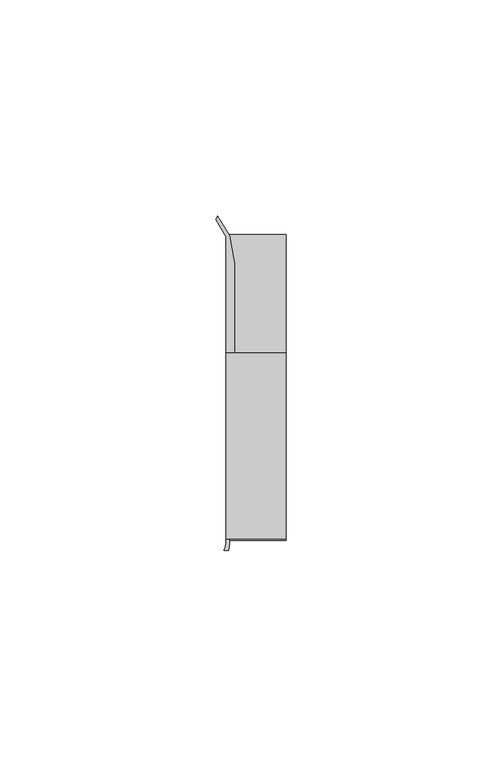
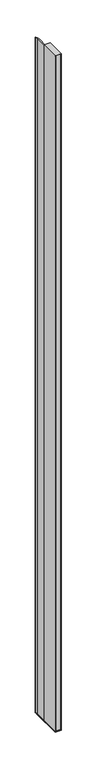
"""IFC4 building model written with IfcOpenShell, lengths in millimetres: furniture geometry."""

from ifc_helpers import new_model, si_unit, point, frame, frame_2d, origin, place, context, project, spatial, polyline, circle_curve, trimmed, segment, composite_curve, outline, extrude, source, transform, mapped, element, save


def furniture_40a82fad(model_context):
    return source(origin(), model_context, "Body", "SweptSolid", [
        extrude(outline(polyline([(31.9660873, 18.9594777), (31.9660873, -24.0995273), (18.0754623, -24.0995273), (18.0754623, 18.9594777), (31.9660873, 18.9594777)])), frame((0.0, 0.0, 487.8043624), z_axis=(0.0, 0.0, 1.0), x_axis=(1.0, 0.0, 0.0)), (0.0, 0.0, 1.0), 1614.0456376),
        extrude(outline(composite_curve([segment(polyline([(16.1635657, 50.6802202), (18.9314847, 46.0995711), (20.0632119, 39.6814262), (20.0632119, 18.9594777), (18.8191063, 18.9594777), (18.8191063, -23.2485144), (31.9660873, -23.2485144), (31.2224462, -24.0995273), (18.7989737, -24.0995273)]), True, "CONTINUOUS"), segment(trimmed(circle_curve(frame_2d((14.8541445, -25.0314921)), 4.0534227), [point((18.7989737, -24.0995273))], [point((18.9075389, -25.0466572))], False, "CARTESIAN"), True, "CONTINUOUS"), segment(trimmed(circle_curve(frame_2d((12.1306413, -24.765085)), 6.7827446), [point((18.9075389, -25.0466572))], [point((18.6374949, -26.6798903))], False, "CARTESIAN"), True, "CONTINUOUS"), segment(polyline([(18.6374949, -26.6798903), (17.6611556, -26.683687)]), True, "CONTINUOUS"), segment(trimmed(circle_curve(frame_2d((12.0703756, -24.4226588)), 6.0306773), [point((17.6611556, -26.683687))], [point((18.0754623, -24.9776388))], True, "CARTESIAN"), True, "CONTINUOUS"), segment(polyline([(18.0754623, -24.9776388), (18.0754623, 45.8886719), (15.7452137, 49.8958113), (16.1635657, 50.6802202)]), True, "CONTINUOUS")], self_intersect=False)), frame((0.0, 0.0, 487.8043624), z_axis=(0.0, 0.0, 1.0), x_axis=(1.0, 0.0, 0.0)), (0.0, 0.0, 1.0), 1614.0456376),
        extrude(outline(polyline([(18.0754623, -24.0995273), (18.0754623, 46.6824219), (31.9660873, 46.6824219), (31.9660873, -24.0995273), (18.0754623, -24.0995273)])), frame((0.0, 0.0, 485.27208), z_axis=(0.0, 0.0, 1.0), x_axis=(1.0, 0.0, 0.0)), (0.0, 0.0, 1.0), 2.5322824),
    ])


if __name__ == "__main__":
    model = new_model("IFC4")
    model_context = context("Model", 3, world=origin())
    ifc_project = project(units=[si_unit("LENGTHUNIT", "METRE", prefix="MILLI")], contexts=[model_context])
    site = spatial("IfcSite", under=ifc_project)
    building = spatial("IfcBuilding", under=site)
    placement = place(None, origin())
    furniture_shape = furniture_40a82fad(model_context)
    element("IfcFurniture", 1, at=placement, inside=building, context=model_context, shape_type="MappedRepresentation", body=[
        mapped(furniture_shape, transform((0.0, 0.0, 0.0), x_axis=(1.0, 0.0, 0.0), y_axis=(0.0, 1.0, 0.0), z_axis=(0.0, 0.0, 1.0))),
    ])
    save(model, "model.ifc")
